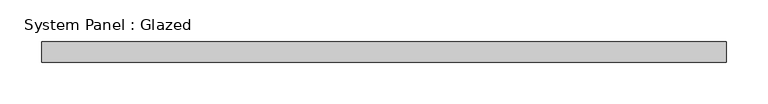
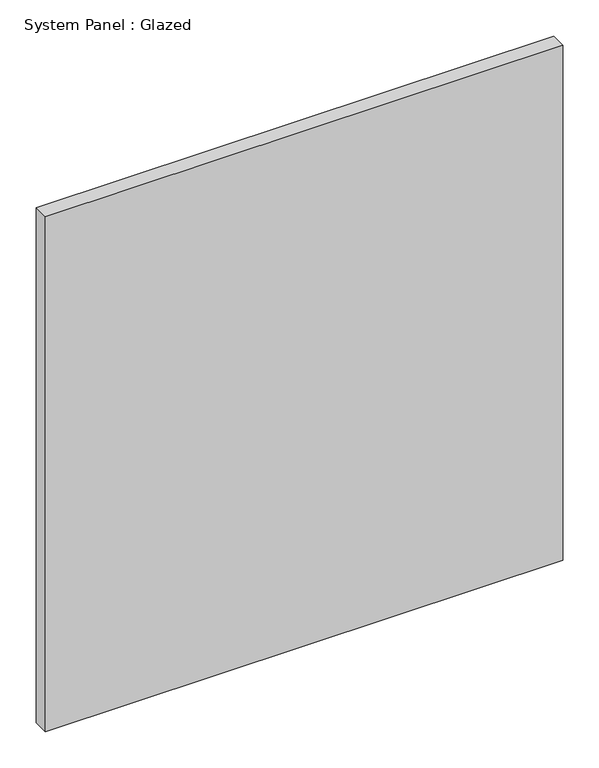
"""IFC4 building model written with IfcOpenShell, lengths in millimetres: plate geometry, System Panel : Glazed."""

from ifc_helpers import new_model, si_unit, origin, origin_with_axes, place, context, project, spatial, polyline, outline, extrude, source, transform, mapped, element, save


def system_panel_glazed_1159e4d7(model_context):
    return source(origin(), model_context, "Body", "SweptSolid", [
        extrude(outline(polyline([(412.5, -49.5), (-412.5, -49.5), (-412.5, -24.5), (412.5, -24.5), (412.5, -49.5)])), origin_with_axes(), (0.0, 0.0, 1.0), 868.3333333),
    ])


if __name__ == "__main__":
    model = new_model("IFC4")
    model_context = context("Model", 3, world=origin())
    ifc_project = project(units=[si_unit("LENGTHUNIT", "METRE", prefix="MILLI")], contexts=[model_context])
    site = spatial("IfcSite", under=ifc_project)
    building = spatial("IfcBuilding", under=site)
    placement = place(None, origin())
    system_panel_glazed_shape = system_panel_glazed_1159e4d7(model_context)
    element("IfcPlate", 1, ObjectType="System Panel : Glazed", at=placement, inside=building, context=model_context, shape_type="MappedRepresentation", body=[
        mapped(system_panel_glazed_shape, transform((0.0, 0.0, 0.0), x_axis=(1.0, 0.0, 0.0), y_axis=(0.0, 1.0, 0.0), z_axis=(0.0, 0.0, 1.0))),
    ])
    save(model, "model.ifc")
